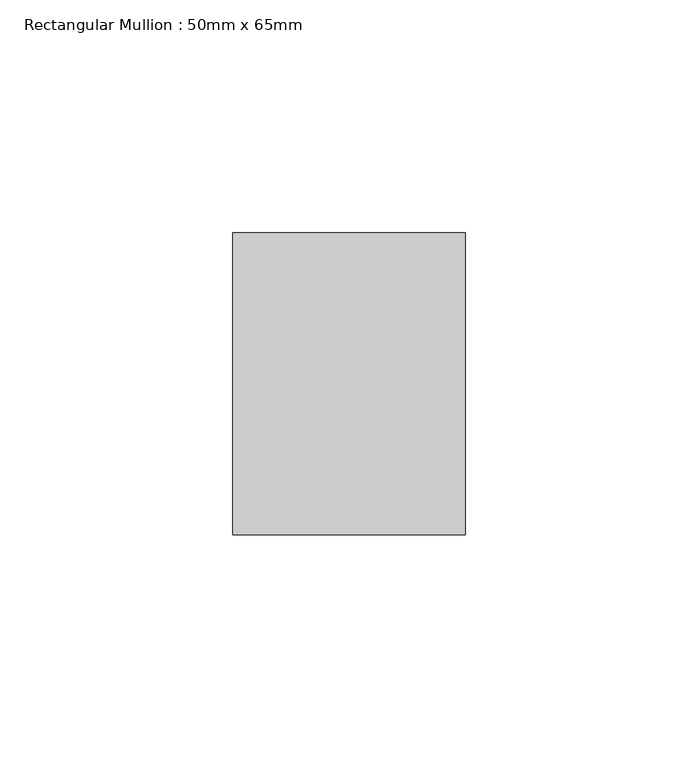
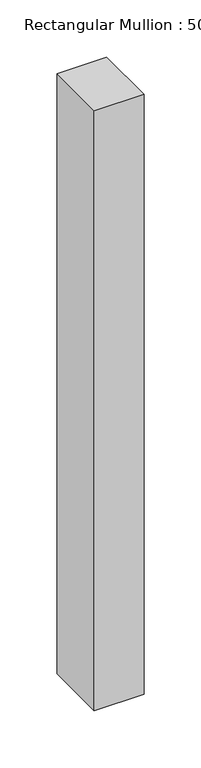
"""IFC4 building model written with IfcOpenShell, lengths in millimetres: member geometry, Rectangular Mullion : 50mm x 65mm."""

from ifc_helpers import new_model, si_unit, frame, origin, place, context, project, spatial, polyline, outline, extrude, source, transform, mapped, element, save


def rectangular_mullion_50mm_x_65mm_f59188a3(model_context):
    return source(origin(), model_context, "Body", "SweptSolid", [
        extrude(outline(polyline([(25.0, 32.5), (25.0, -32.5), (-25.0, -32.5), (-25.0, 32.5), (25.0, 32.5)])), frame((0.0, 0.0, -639.7124851), z_axis=(0.0, 0.0, 1.0), x_axis=(1.0, 0.0, 0.0)), (0.0, 0.0, 1.0), 639.7124851),
    ])


if __name__ == "__main__":
    model = new_model("IFC4")
    model_context = context("Model", 3, world=origin())
    ifc_project = project(units=[si_unit("LENGTHUNIT", "METRE", prefix="MILLI")], contexts=[model_context])
    site = spatial("IfcSite", under=ifc_project)
    building = spatial("IfcBuilding", under=site)
    placement = place(None, origin())
    rectangular_mullion_50mm_x_65mm_shape = rectangular_mullion_50mm_x_65mm_f59188a3(model_context)
    element("IfcMember", 1, ObjectType="Rectangular Mullion : 50mm x 65mm", at=placement, inside=building, context=model_context, shape_type="MappedRepresentation", body=[
        mapped(rectangular_mullion_50mm_x_65mm_shape, transform((0.0, 0.0, 0.0), x_axis=(1.0, 0.0, 0.0), y_axis=(0.0, 1.0, 0.0), z_axis=(0.0, 0.0, 1.0))),
    ])
    save(model, "model.ifc")
